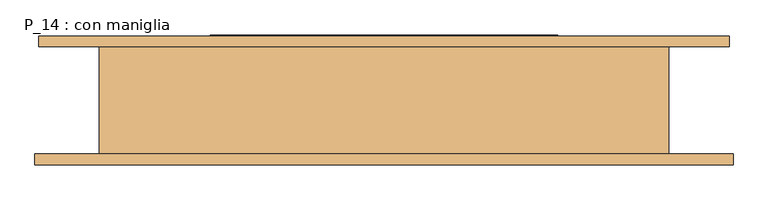
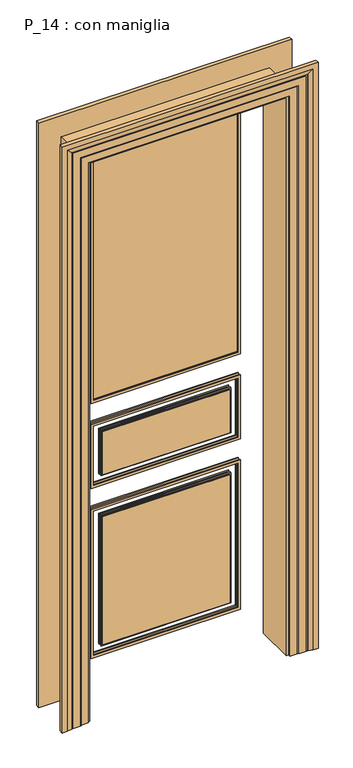
"""IFC4 building model written with IfcOpenShell, lengths in millimetres: door geometry, P_14 : con maniglia."""

from ifc_helpers import new_model, si_unit, frame, origin, place, context, project, spatial, polyline, outline, extrude, faceted_brep, source, transform, mapped, element, save


def p_14_con_maniglia_05721dd9(model_context):
    return source(origin(), model_context, "Body", "SolidModel", [
        faceted_brep([(514.0, 80.0, 0.0), (424.0, 80.0, 0.0), (424.0, -80.0, 0.0), (520.0, -80.0, 0.0), (520.0, -96.0, 0.0), (500.0, -96.0, 0.0), (480.0, -92.0291126, 0.0), (480.0, -91.0291126, 0.0), (475.0, -91.0291126, 0.0), (475.0, -90.0291126, 0.0), (445.0, -90.0291126, 0.0), (445.0, -89.0291126, 0.0), (440.0, -89.0291126, 0.0), (440.0, -88.0291126, 0.0), (410.0, -88.0291126, 0.0), (410.0, -80.0, 0.0), (400.0, -80.0, 0.0), (400.0, 80.0, 0.0), (410.0, 80.0, 0.0), (410.0, 88.0291126, 0.0), (440.0, 88.0291126, 0.0), (440.0, 89.0291126, 0.0), (445.0, 89.0291126, 0.0), (445.0, 90.0291126, 0.0), (469.0, 90.0291126, 0.0), (469.0, 91.0291126, 0.0), (474.0, 91.0291126, 0.0), (474.0, 92.0291126, 0.0), (494.0, 96.0, 0.0), (514.0, 96.0, 0.0), (514.0, 80.0, 2510.0), (-514.0, 80.0, 2510.0), (-514.0, 80.0, 0.0), (-424.0, 80.0, 0.0), (-424.0, 80.0, 2420.0), (424.0, 80.0, 2420.0), (424.0, -80.0, 2420.0), (-424.0, -80.0, 2420.0), (-424.0, -80.0, 0.0), (-520.0, -80.0, 0.0), (-520.0, -80.0, 2516.0), (520.0, -80.0, 2516.0), (520.0, -96.0, 2516.0), (-520.0, -96.0, 2516.0), (-520.0, -96.0, 0.0), (-500.0, -96.0, 0.0), (-500.0, -96.0, 2496.0), (500.0, -96.0, 2496.0), (480.0, -92.0291126, 2476.0), (480.0, -91.0291126, 2476.0), (-480.0, -91.0291126, 2476.0), (-480.0, -91.0291126, 0.0), (-475.0, -91.0291126, 0.0), (-475.0, -91.0291126, 2471.0), (475.0, -91.0291126, 2471.0), (475.0, -90.0291126, 2471.0), (-475.0, -90.0291126, 2471.0), (-475.0, -90.0291126, 0.0), (-445.0, -90.0291126, 0.0), (-445.0, -90.0291126, 2441.0), (445.0, -90.0291126, 2441.0), (445.0, -89.0291126, 2441.0), (-445.0, -89.0291126, 2441.0), (-445.0, -89.0291126, 0.0), (-440.0, -89.0291126, 0.0), (-440.0, -89.0291126, 2436.0), (440.0, -89.0291126, 2436.0), (440.0, -88.0291126, 2436.0), (-440.0, -88.0291126, 2436.0), (-440.0, -88.0291126, 0.0), (-410.0, -88.0291126, 0.0), (-410.0, -88.0291126, 2406.0), (410.0, -88.0291126, 2406.0), (410.0, -80.0, 2406.0), (-410.0, -80.0, 2406.0), (-410.0, -80.0, 0.0), (-400.0, -80.0, 0.0), (-400.0, -80.0, 2396.0), (400.0, -80.0, 2396.0), (400.0, 80.0, 2396.0), (-400.0, 80.0, 2396.0), (-400.0, 80.0, 0.0), (-410.0, 80.0, 0.0), (-410.0, 80.0, 2406.0), (410.0, 80.0, 2406.0), (410.0, 88.0291126, 2406.0), (-410.0, 88.0291126, 2406.0), (-410.0, 88.0291126, 0.0), (-440.0, 88.0291126, 0.0), (-440.0, 88.0291126, 2436.0), (440.0, 88.0291126, 2436.0), (440.0, 89.0291126, 2436.0), (-440.0, 89.0291126, 2436.0), (-440.0, 89.0291126, 0.0), (-445.0, 89.0291126, 0.0), (-445.0, 89.0291126, 2441.0), (445.0, 89.0291126, 2441.0), (445.0, 90.0291126, 2441.0), (-445.0, 90.0291126, 2441.0), (-445.0, 90.0291126, 0.0), (-469.0, 90.0291126, 0.0), (-469.0, 90.0291126, 2465.0), (469.0, 90.0291126, 2465.0), (469.0, 91.0291126, 2465.0), (-469.0, 91.0291126, 2465.0), (-469.0, 91.0291126, 0.0), (-474.0, 91.0291126, 0.0), (-474.0, 91.0291126, 2470.0), (474.0, 91.0291126, 2470.0), (474.0, 92.0291126, 2470.0), (494.0, 96.0, 2490.0), (-494.0, 96.0, 2490.0), (-494.0, 96.0, 0.0), (-514.0, 96.0, 0.0), (-514.0, 96.0, 2510.0), (514.0, 96.0, 2510.0), (-474.0, 92.0291126, 0.0), (-480.0, -92.0291126, 0.0), (-474.0, 92.0291126, 2470.0), (-480.0, -92.0291126, 2476.0)], [[[0, 1, 2, 3, 4, 5, 6, 7, 8, 9, 10, 11, 12, 13, 14, 15, 16, 17, 18, 19, 20, 21, 22, 23, 24, 25, 26, 27, 28, 29]], [[1, 0, 30, 31, 32, 33, 34, 35]], [[2, 1, 35, 36]], [[3, 2, 36, 37, 38, 39, 40, 41]], [[4, 3, 41, 42]], [[5, 4, 42, 43, 44, 45, 46, 47]], [[6, 5, 47, 48]], [[7, 6, 48, 49]], [[8, 7, 49, 50, 51, 52, 53, 54]], [[9, 8, 54, 55]], [[10, 9, 55, 56, 57, 58, 59, 60]], [[11, 10, 60, 61]], [[12, 11, 61, 62, 63, 64, 65, 66]], [[13, 12, 66, 67]], [[14, 13, 67, 68, 69, 70, 71, 72]], [[15, 14, 72, 73]], [[16, 15, 73, 74, 75, 76, 77, 78]], [[17, 16, 78, 79]], [[18, 17, 79, 80, 81, 82, 83, 84]], [[19, 18, 84, 85]], [[20, 19, 85, 86, 87, 88, 89, 90]], [[21, 20, 90, 91]], [[22, 21, 91, 92, 93, 94, 95, 96]], [[23, 22, 96, 97]], [[24, 23, 97, 98, 99, 100, 101, 102]], [[25, 24, 102, 103]], [[26, 25, 103, 104, 105, 106, 107, 108]], [[27, 26, 108, 109]], [[28, 27, 109, 110]], [[29, 28, 110, 111, 112, 113, 114, 115]], [[0, 29, 115, 30]], [[31, 114, 113, 32]], [[32, 113, 112, 116, 106, 105, 100, 99, 94, 93, 88, 87, 82, 81, 76, 75, 70, 69, 64, 63, 58, 57, 52, 51, 117, 45, 44, 39, 38, 33]], [[37, 34, 33, 38]], [[74, 71, 70, 75]], [[80, 77, 76, 81]], [[86, 83, 82, 87]], [[111, 118, 116, 112]], [[118, 107, 106, 116]], [[104, 101, 100, 105]], [[98, 95, 94, 99]], [[92, 89, 88, 93]], [[68, 65, 64, 69]], [[62, 59, 58, 63]], [[56, 53, 52, 57]], [[50, 119, 117, 51]], [[119, 46, 45, 117]], [[43, 40, 39, 44]], [[30, 115, 114, 31]], [[36, 35, 34, 37]], [[73, 72, 71, 74]], [[79, 78, 77, 80]], [[85, 84, 83, 86]], [[91, 90, 89, 92]], [[97, 96, 95, 98]], [[103, 102, 101, 104]], [[109, 108, 107, 118]], [[110, 109, 118, 111]], [[42, 41, 40, 43]], [[48, 47, 46, 119]], [[49, 48, 119, 50]], [[55, 54, 53, 56]], [[61, 60, 59, 62]], [[67, 66, 65, 68]]]),
        extrude(outline(polyline([(294.0, 83.0), (-294.0, 83.0), (-294.0, 87.0), (294.0, 87.0), (294.0, 83.0)])), frame((0.0, 0.0, 1245.0), z_axis=(0.0, 0.0, 1.0), x_axis=(1.0, 0.0, 0.0)), (0.0, 0.0, 1.0), 1045.0),
        extrude(outline(polyline([(780.0, 304.0), (780.0, -304.0), (140.0, -304.0), (140.0, 304.0), (780.0, 304.0)]), holes=[polyline([(770.0, 294.0), (150.0, 294.0), (150.0, -294.0), (770.0, -294.0), (770.0, 294.0)])]), frame((0.0, 76.0, 0.0), z_axis=(0.0, 1.0, 0.0), x_axis=(0.0, 0.0, 1.0)), (0.0, 0.0, 1.0), 4.0),
        extrude(outline(polyline([(740.0, 264.0), (740.0, -264.0), (180.0, -264.0), (180.0, 264.0), (740.0, 264.0)]), holes=[polyline([(735.0, 259.0), (185.0, 259.0), (185.0, -259.0), (735.0, -259.0), (735.0, 259.0)])]), frame((0.0, 76.0, 0.0), z_axis=(0.0, 1.0, 0.0), x_axis=(0.0, 0.0, 1.0)), (0.0, 0.0, 1.0), 4.0),
        extrude(outline(polyline([(1145.0, -304.0), (870.0, -304.0), (870.0, 304.0), (1145.0, 304.0), (1145.0, -304.0)]), holes=[polyline([(1135.0, -294.0), (1135.0, 294.0), (880.0, 294.0), (880.0, -294.0), (1135.0, -294.0)])]), frame((0.0, 76.0, 0.0), z_axis=(0.0, 1.0, 0.0), x_axis=(0.0, 0.0, 1.0)), (0.0, 0.0, 1.0), 4.0),
        extrude(outline(polyline([(1105.0, -264.0), (910.0, -264.0), (910.0, 264.0), (1105.0, 264.0), (1105.0, -264.0)]), holes=[polyline([(1100.0, -259.0), (1100.0, 259.0), (915.0, 259.0), (915.0, -259.0), (1100.0, -259.0)])]), frame((0.0, 76.0, 0.0), z_axis=(0.0, 1.0, 0.0), x_axis=(0.0, 0.0, 1.0)), (0.0, 0.0, 1.0), 4.0),
        extrude(outline(polyline([(2300.0, 304.0), (2300.0, -304.0), (1235.0, -304.0), (1235.0, 304.0), (2300.0, 304.0)]), holes=[polyline([(2290.0, 294.0), (1245.0, 294.0), (1245.0, -294.0), (2290.0, -294.0), (2290.0, 294.0)])]), frame((0.0, 76.0, 0.0), z_axis=(0.0, 1.0, 0.0), x_axis=(0.0, 0.0, 1.0)), (0.0, 0.0, 1.0), 4.0),
        extrude(outline(polyline([(780.0, -304.0), (140.0, -304.0), (140.0, 304.0), (780.0, 304.0), (780.0, -304.0)]), holes=[polyline([(770.0, -294.0), (770.0, 294.0), (150.0, 294.0), (150.0, -294.0), (770.0, -294.0)])]), frame((0.0, 90.0, 0.0), z_axis=(0.0, 1.0, 0.0), x_axis=(0.0, 0.0, 1.0)), (0.0, 0.0, 1.0), 4.0),
        extrude(outline(polyline([(740.0, -264.0), (180.0, -264.0), (180.0, 264.0), (740.0, 264.0), (740.0, -264.0)]), holes=[polyline([(735.0, -259.0), (735.0, 259.0), (185.0, 259.0), (185.0, -259.0), (735.0, -259.0)])]), frame((0.0, 90.0, 0.0), z_axis=(0.0, 1.0, 0.0), x_axis=(0.0, 0.0, 1.0)), (0.0, 0.0, 1.0), 4.0),
        extrude(outline(polyline([(1145.0, -304.0), (870.0, -304.0), (870.0, 304.0), (1145.0, 304.0), (1145.0, -304.0)]), holes=[polyline([(1135.0, -294.0), (1135.0, 294.0), (880.0, 294.0), (880.0, -294.0), (1135.0, -294.0)])]), frame((0.0, 90.0, 0.0), z_axis=(0.0, 1.0, 0.0), x_axis=(0.0, 0.0, 1.0)), (0.0, 0.0, 1.0), 4.0),
        extrude(outline(polyline([(1105.0, -264.0), (910.0, -264.0), (910.0, 264.0), (1105.0, 264.0), (1105.0, -264.0)]), holes=[polyline([(1100.0, -259.0), (1100.0, 259.0), (915.0, 259.0), (915.0, -259.0), (1100.0, -259.0)])]), frame((0.0, 90.0, 0.0), z_axis=(0.0, 1.0, 0.0), x_axis=(0.0, 0.0, 1.0)), (0.0, 0.0, 1.0), 4.0),
        extrude(outline(polyline([(2300.0, -304.0), (1235.0, -304.0), (1235.0, 304.0), (2300.0, 304.0), (2300.0, -304.0)]), holes=[polyline([(2290.0, -294.0), (2290.0, 294.0), (1245.0, 294.0), (1245.0, -294.0), (2290.0, -294.0)])]), frame((0.0, 90.0, 0.0), z_axis=(0.0, 1.0, 0.0), x_axis=(0.0, 0.0, 1.0)), (0.0, 0.0, 1.0), 4.0),
        extrude(outline(polyline([(-259.0, 80.0), (259.0, 80.0), (259.0, 72.0), (-259.0, 72.0), (-259.0, 80.0)])), frame((0.0, 0.0, 185.0), z_axis=(0.0, 0.0, 1.0), x_axis=(1.0, 0.0, 0.0)), (0.0, 0.0, 1.0), 550.0),
        extrude(outline(polyline([(-259.0, 80.0), (259.0, 80.0), (259.0, 72.0), (-259.0, 72.0), (-259.0, 80.0)])), frame((0.0, 0.0, 915.0), z_axis=(0.0, 0.0, 1.0), x_axis=(1.0, 0.0, 0.0)), (0.0, 0.0, 1.0), 185.0),
        extrude(outline(polyline([(259.0, 90.0), (-259.0, 90.0), (-259.0, 98.0), (259.0, 98.0), (259.0, 90.0)])), frame((0.0, 0.0, 185.0), z_axis=(0.0, 0.0, 1.0), x_axis=(1.0, 0.0, 0.0)), (0.0, 0.0, 1.0), 550.0),
        extrude(outline(polyline([(259.0, 90.0), (-259.0, 90.0), (-259.0, 98.0), (259.0, 98.0), (259.0, 90.0)])), frame((0.0, 0.0, 915.0), z_axis=(0.0, 0.0, 1.0), x_axis=(1.0, 0.0, 0.0)), (0.0, 0.0, 1.0), 185.0),
    ])


if __name__ == "__main__":
    model = new_model("IFC4")
    model_context = context("Model", 3, world=origin())
    ifc_project = project(units=[si_unit("LENGTHUNIT", "METRE", prefix="MILLI")], contexts=[model_context])
    site = spatial("IfcSite", under=ifc_project)
    building = spatial("IfcBuilding", under=site)
    placement = place(None, origin())
    p_14_con_maniglia_shape = p_14_con_maniglia_05721dd9(model_context)
    element("IfcDoor", 1, ObjectType="P_14 : con maniglia", at=placement, inside=building, context=model_context, shape_type="MappedRepresentation", body=[
        mapped(p_14_con_maniglia_shape, transform((0.0, 0.0, 0.0), x_axis=(1.0, 0.0, 0.0), y_axis=(0.0, 1.0, 0.0), z_axis=(0.0, 0.0, 1.0))),
    ])
    save(model, "model.ifc")
